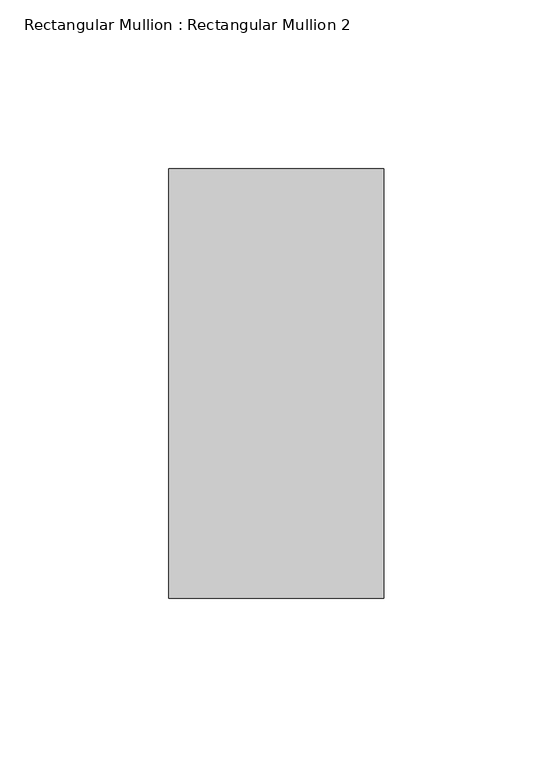
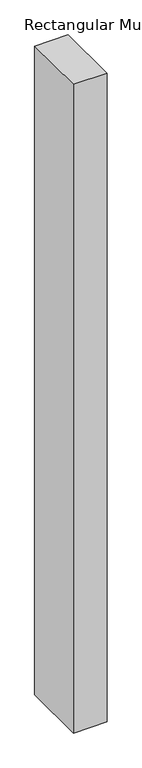
"""IFC4 building model written with IfcOpenShell, lengths in millimetres: member geometry, Rectangular Mullion : Rectangular Mullion 2."""

from ifc_helpers import new_model, si_unit, frame, origin, place, context, project, spatial, polyline, outline, extrude, source, transform, mapped, element, save


def rectangular_mullion_rectangular_mullion_2_beaf24d2(model_context):
    return source(origin(), model_context, "Body", "SweptSolid", [
        extrude(outline(polyline([(31.8, 188.5), (31.8, 61.5), (-31.8, 61.5), (-31.8, 188.5), (31.8, 188.5)])), frame((0.0, 0.0, -1300.0), z_axis=(0.0, 0.0, 1.0), x_axis=(1.0, 0.0, 0.0)), (0.0, 0.0, 1.0), 1300.0),
    ])


if __name__ == "__main__":
    model = new_model("IFC4")
    model_context = context("Model", 3, world=origin())
    ifc_project = project(units=[si_unit("LENGTHUNIT", "METRE", prefix="MILLI")], contexts=[model_context])
    site = spatial("IfcSite", under=ifc_project)
    building = spatial("IfcBuilding", under=site)
    placement = place(None, origin())
    rectangular_mullion_rectangular_mullion_2_shape = rectangular_mullion_rectangular_mullion_2_beaf24d2(model_context)
    element("IfcMember", 1, ObjectType="Rectangular Mullion : Rectangular Mullion 2", at=placement, inside=building, context=model_context, shape_type="MappedRepresentation", body=[
        mapped(rectangular_mullion_rectangular_mullion_2_shape, transform((0.0, 0.0, 0.0), x_axis=(1.0, 0.0, 0.0), y_axis=(0.0, 1.0, 0.0), z_axis=(0.0, 0.0, 1.0))),
    ])
    save(model, "model.ifc")
